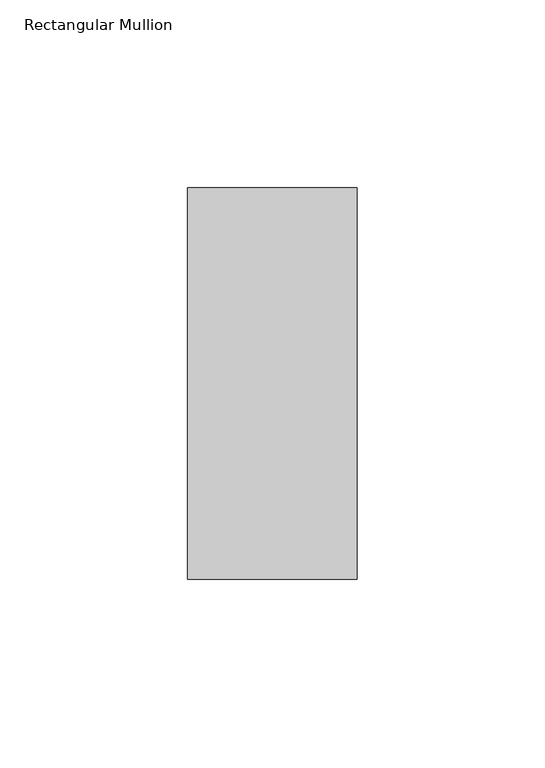
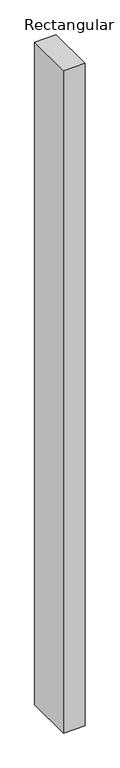
"""IFC4 building model written with IfcOpenShell, lengths in millimetres: member geometry, Rectangular Mullion."""

from ifc_helpers import new_model, si_unit, frame, origin, place, context, project, spatial, polyline, outline, extrude, source, transform, mapped, element, save


def rectangular_mullion_b7361dfd(model_context):
    return source(origin(), model_context, "Body", "SweptSolid", [
        extrude(outline(polyline([(-45.0, 67.525), (0.0, 67.525), (0.0, -36.525), (-45.0, -36.525), (-45.0, 67.525)])), frame((0.0, 0.0, -1465.0164899), z_axis=(0.0, 0.0, 1.0), x_axis=(1.0, 0.0, 0.0)), (0.0, 0.0, 1.0), 1465.0164899),
    ])


if __name__ == "__main__":
    model = new_model("IFC4")
    model_context = context("Model", 3, world=origin())
    ifc_project = project(units=[si_unit("LENGTHUNIT", "METRE", prefix="MILLI")], contexts=[model_context])
    site = spatial("IfcSite", under=ifc_project)
    building = spatial("IfcBuilding", under=site)
    placement = place(None, origin())
    rectangular_mullion_shape = rectangular_mullion_b7361dfd(model_context)
    element("IfcMember", 1, ObjectType="Rectangular Mullion", at=placement, inside=building, context=model_context, shape_type="MappedRepresentation", body=[
        mapped(rectangular_mullion_shape, transform((0.0, 0.0, 0.0), x_axis=(1.0, 0.0, 0.0), y_axis=(0.0, 1.0, 0.0), z_axis=(0.0, 0.0, 1.0))),
    ])
    save(model, "model.ifc")
